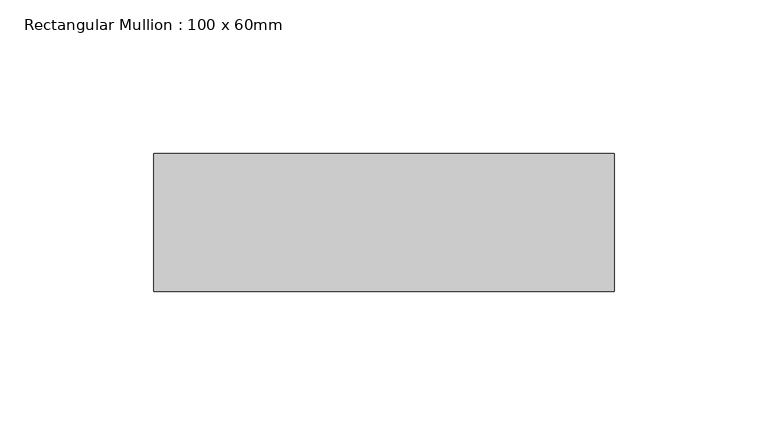
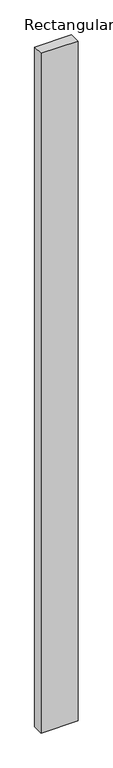
"""IFC4 building model written with IfcOpenShell, lengths in millimetres: member geometry, Rectangular Mullion : 100 x 60mm."""

from ifc_helpers import new_model, si_unit, frame, origin, place, context, project, spatial, polyline, outline, extrude, source, transform, mapped, element, save


def rectangular_mullion_100_x_60mm_69baa1a9(model_context):
    return source(origin(), model_context, "Body", "SweptSolid", [
        extrude(outline(polyline([(-75.0, 30.0), (75.0, 30.0), (75.0, -15.0), (-75.0, -15.0), (-75.0, 30.0)])), frame((0.0, 0.0, -2925.0), z_axis=(0.0, 0.0, 1.0), x_axis=(1.0, 0.0, 0.0)), (0.0, 0.0, 1.0), 2925.0),
    ])


if __name__ == "__main__":
    model = new_model("IFC4")
    model_context = context("Model", 3, world=origin())
    ifc_project = project(units=[si_unit("LENGTHUNIT", "METRE", prefix="MILLI")], contexts=[model_context])
    site = spatial("IfcSite", under=ifc_project)
    building = spatial("IfcBuilding", under=site)
    placement = place(None, origin())
    rectangular_mullion_100_x_60mm_shape = rectangular_mullion_100_x_60mm_69baa1a9(model_context)
    element("IfcMember", 1, ObjectType="Rectangular Mullion : 100 x 60mm", at=placement, inside=building, context=model_context, shape_type="MappedRepresentation", body=[
        mapped(rectangular_mullion_100_x_60mm_shape, transform((0.0, 0.0, 0.0), x_axis=(1.0, 0.0, 0.0), y_axis=(0.0, 1.0, 0.0), z_axis=(0.0, 0.0, 1.0))),
    ])
    save(model, "model.ifc")
